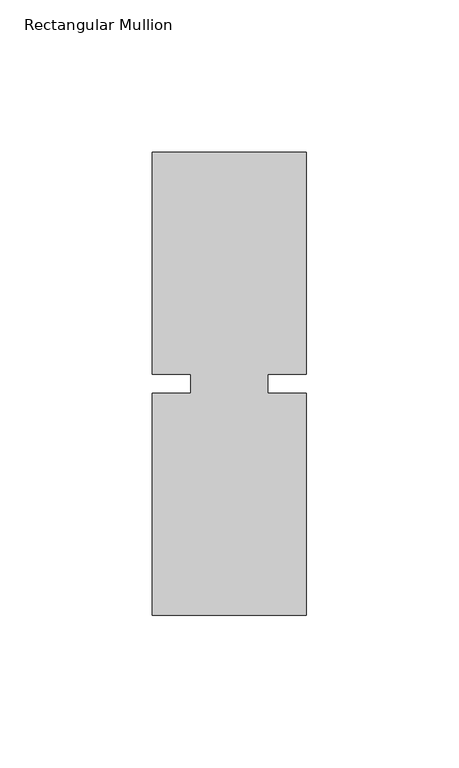
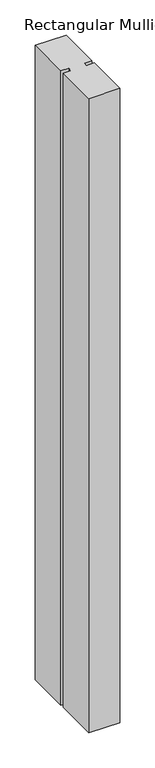
"""IFC4 building model written with IfcOpenShell, lengths in millimetres: member geometry, Rectangular Mullion."""

from ifc_helpers import new_model, si_unit, frame, origin, place, context, project, spatial, polyline, outline, extrude, source, transform, mapped, element, save


def rectangular_mullion_457f5922(model_context):
    return source(origin(), model_context, "Body", "SweptSolid", [
        extrude(outline(polyline([(29.7344027, 76.2), (29.7344027, 3.175), (17.0326322, 3.175), (17.0326322, -3.175), (29.7344027, -3.175), (29.7344027, -76.2), (-21.0655973, -76.2), (-21.0655973, -3.175), (-8.3655973, -3.175), (-8.3655973, 3.175), (-21.0655973, 3.175), (-21.0655973, 76.2), (29.7344027, 76.2)])), frame((0.0, 0.0, -1099.7094027), z_axis=(0.0, 0.0, 1.0), x_axis=(1.0, 0.0, 0.0)), (0.0, 0.0, 1.0), 1099.7094027),
    ])


if __name__ == "__main__":
    model = new_model("IFC4")
    model_context = context("Model", 3, world=origin())
    ifc_project = project(units=[si_unit("LENGTHUNIT", "METRE", prefix="MILLI")], contexts=[model_context])
    site = spatial("IfcSite", under=ifc_project)
    building = spatial("IfcBuilding", under=site)
    placement = place(None, origin())
    rectangular_mullion_shape = rectangular_mullion_457f5922(model_context)
    element("IfcMember", 1, ObjectType="Rectangular Mullion", at=placement, inside=building, context=model_context, shape_type="MappedRepresentation", body=[
        mapped(rectangular_mullion_shape, transform((0.0, 0.0, 0.0), x_axis=(1.0, 0.0, 0.0), y_axis=(0.0, 1.0, 0.0), z_axis=(0.0, 0.0, 1.0))),
    ])
    save(model, "model.ifc")
